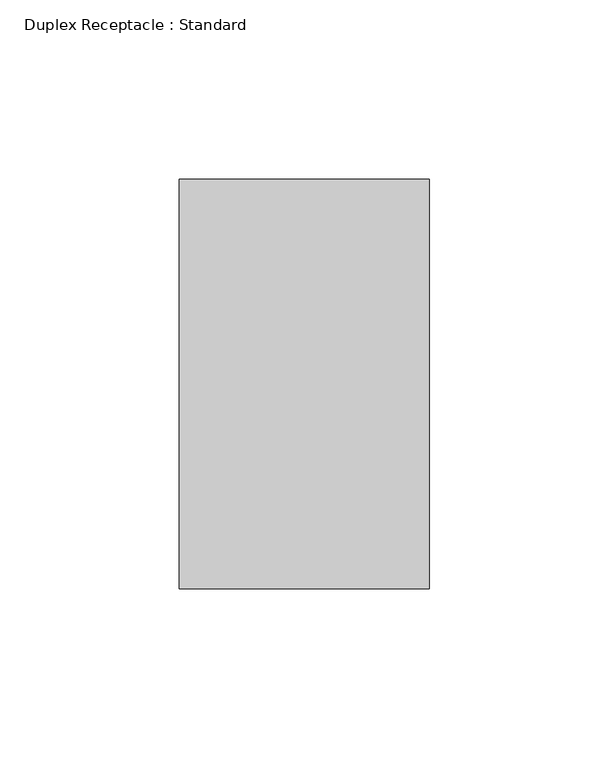
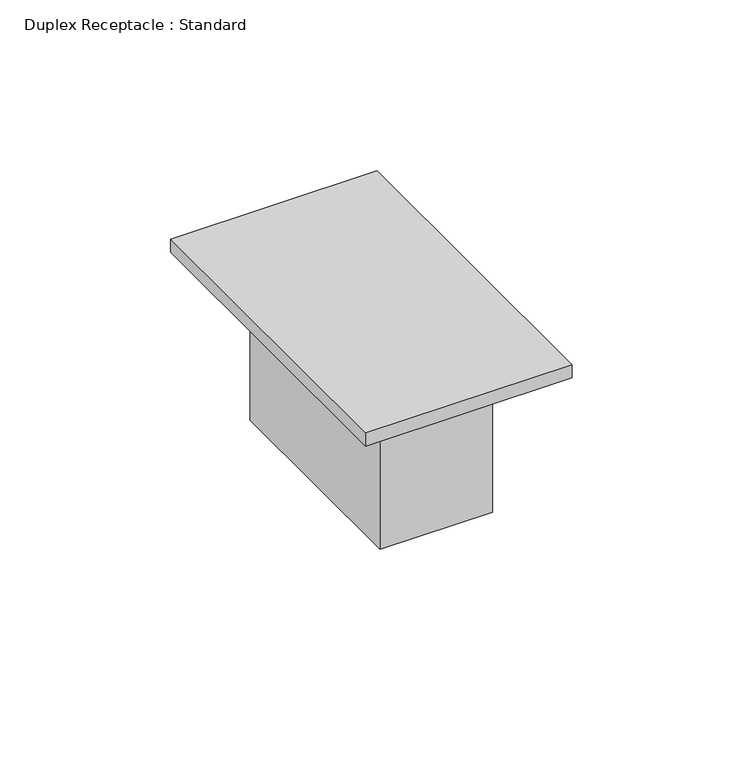
"""IFC4 building model written with IfcOpenShell, lengths in millimetres: proxy geometry, Duplex Receptacle : Standard."""

from ifc_helpers import new_model, si_unit, frame, origin, origin_with_axes, place, context, project, spatial, polyline, outline, extrude, source, transform, mapped, element, save


def duplex_receptacle_standard_10251bba(model_context):
    return source(origin(), model_context, "Body", "SweptSolid", [
        extrude(outline(polyline([(19.05, 38.1), (19.05, -38.1), (-19.05, -38.1), (-19.05, 38.1), (19.05, 38.1)])), frame((0.0, 0.0, -53.975), z_axis=(0.0, 0.0, 1.0), x_axis=(1.0, 0.0, 0.0)), (0.0, 0.0, 1.0), 53.975),
        extrude(outline(polyline([(34.925, 57.15), (34.925, -57.15), (-34.925, -57.15), (-34.925, 57.15), (34.925, 57.15)])), origin_with_axes(), (0.0, 0.0, 1.0), 4.7625),
    ])


if __name__ == "__main__":
    model = new_model("IFC4")
    model_context = context("Model", 3, world=origin())
    ifc_project = project(units=[si_unit("LENGTHUNIT", "METRE", prefix="MILLI")], contexts=[model_context])
    site = spatial("IfcSite", under=ifc_project)
    building = spatial("IfcBuilding", under=site)
    placement = place(None, origin())
    duplex_receptacle_standard_shape = duplex_receptacle_standard_10251bba(model_context)
    element("IfcBuildingElementProxy", 1, Name="Duplex Receptacle : Standard", ObjectType="Duplex Receptacle : Standard", at=placement, inside=building, context=model_context, shape_type="MappedRepresentation", body=[
        mapped(duplex_receptacle_standard_shape, transform((0.0, 0.0, 0.0), x_axis=(1.0, 0.0, 0.0), y_axis=(0.0, 1.0, 0.0), z_axis=(0.0, 0.0, 1.0))),
    ])
    save(model, "model.ifc")
